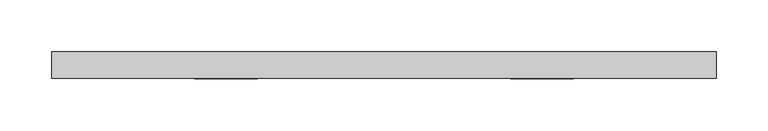
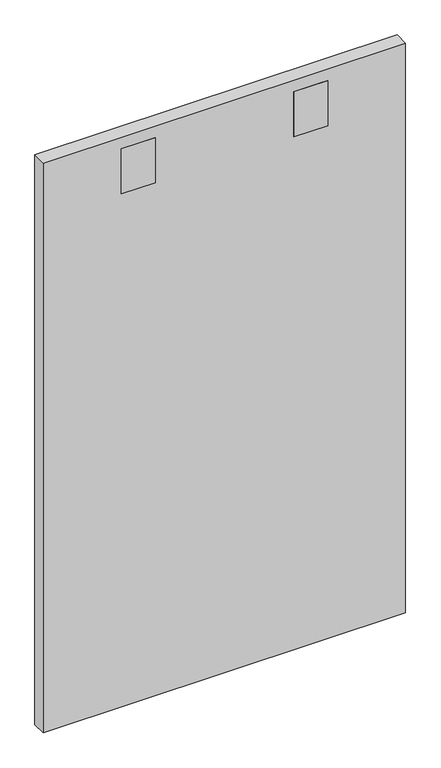
"""IFC4 building model written with IfcOpenShell, lengths in millimetres: furniture geometry."""

from ifc_helpers import new_model, si_unit, frame, origin, place, context, project, spatial, polyline, outline, extrude, source, transform, mapped, element, save


def furniture_e901366d(model_context):
    return source(origin(), model_context, "Body", "SweptSolid", [
        extrude(outline(polyline([(-244.4749985, 38.1), (396.8749758, 38.1), (396.8749758, 12.7), (-244.4749985, 12.7), (-244.4749985, 38.1)])), frame((0.0, 0.0, 88.9), z_axis=(0.0, 0.0, 1.0), x_axis=(1.0, 0.0, 0.0)), (0.0, 0.0, 1.0), 1066.8),
        extrude(outline(polyline([(-46.0375061, 11.90625), (-106.3624939, 11.90625), (-106.3624939, 12.7), (-46.0375061, 12.7), (-46.0375061, 11.90625)])), frame((0.0, 0.0, 1050.1312227), z_axis=(0.0, 0.0, 1.0), x_axis=(1.0, 0.0, 0.0)), (0.0, 0.0, 1.0), 84.1375),
        extrude(outline(polyline([(258.7624758, 11.90625), (198.4375242, 11.90625), (198.4375242, 12.7), (258.7624758, 12.7), (258.7624758, 11.90625)])), frame((0.0, 0.0, 1050.1312227), z_axis=(0.0, 0.0, 1.0), x_axis=(1.0, 0.0, 0.0)), (0.0, 0.0, 1.0), 84.1375),
    ])


if __name__ == "__main__":
    model = new_model("IFC4")
    model_context = context("Model", 3, world=origin())
    ifc_project = project(units=[si_unit("LENGTHUNIT", "METRE", prefix="MILLI")], contexts=[model_context])
    site = spatial("IfcSite", under=ifc_project)
    building = spatial("IfcBuilding", under=site)
    placement = place(None, origin())
    furniture_shape = furniture_e901366d(model_context)
    element("IfcFurniture", 1, at=placement, inside=building, context=model_context, shape_type="MappedRepresentation", body=[
        mapped(furniture_shape, transform((0.0, 0.0, 0.0), x_axis=(1.0, 0.0, 0.0), y_axis=(0.0, 1.0, 0.0), z_axis=(0.0, 0.0, 1.0))),
    ])
    save(model, "model.ifc")
